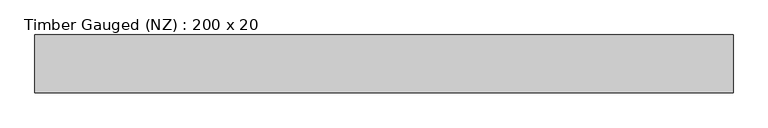
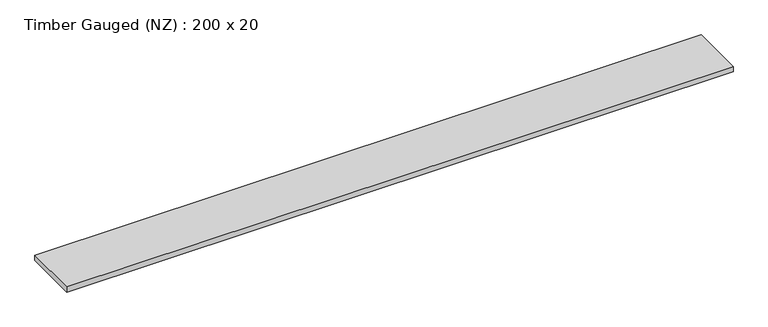
"""IFC4 building model written with IfcOpenShell, lengths in millimetres: beam geometry, Timber Gauged (NZ) : 200 x 20."""

from ifc_helpers import new_model, si_unit, frame, origin, place, context, project, spatial, polyline, outline, extrude, source, transform, mapped, element, save


def timber_gauged_nz_200_x_20_2cea5b0f(model_context):
    return source(origin(), model_context, "Body", "SweptSolid", [
        extrude(outline(polyline([(1310.0, -108.5), (-1310.0, -108.5), (-1310.0, 108.5), (1310.0, 108.5), (1310.0, -108.5)])), frame((0.0, 0.0, -11.0), z_axis=(0.0, 0.0, 1.0), x_axis=(1.0, 0.0, 0.0)), (0.0, 0.0, 1.0), 22.0),
    ])


if __name__ == "__main__":
    model = new_model("IFC4")
    model_context = context("Model", 3, world=origin())
    ifc_project = project(units=[si_unit("LENGTHUNIT", "METRE", prefix="MILLI")], contexts=[model_context])
    site = spatial("IfcSite", under=ifc_project)
    building = spatial("IfcBuilding", under=site)
    placement = place(None, origin())
    timber_gauged_nz_200_x_20_shape = timber_gauged_nz_200_x_20_2cea5b0f(model_context)
    element("IfcBeam", 1, ObjectType="Timber Gauged (NZ) : 200 x 20", at=placement, inside=building, context=model_context, shape_type="MappedRepresentation", body=[
        mapped(timber_gauged_nz_200_x_20_shape, transform((0.0, 0.0, 0.0), x_axis=(1.0, 0.0, 0.0), y_axis=(0.0, 1.0, 0.0), z_axis=(0.0, 0.0, 1.0))),
    ])
    save(model, "model.ifc")
